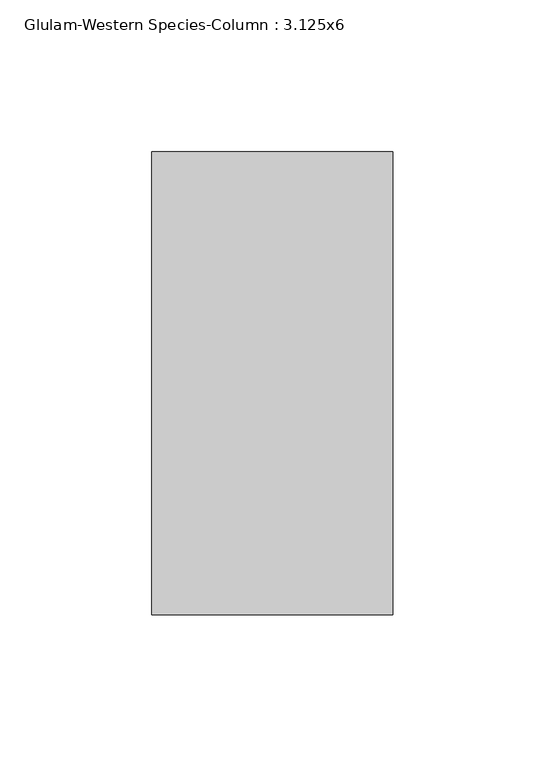
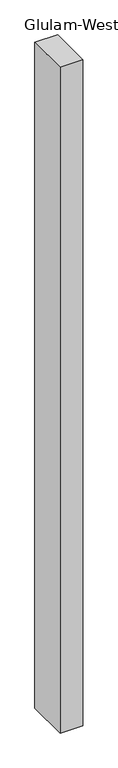
"""IFC4 building model written with IfcOpenShell, lengths in millimetres: column geometry, Glulam-Western Species-Column : 3.125x6."""

from ifc_helpers import new_model, si_unit, frame, origin, place, context, project, spatial, polyline, outline, extrude, source, transform, mapped, element, save


def glulam_western_species_column_3_125x6_147a440b(model_context):
    return source(origin(), model_context, "Body", "SweptSolid", [
        extrude(outline(polyline([(39.6875, -76.2), (-39.6875, -76.2), (-39.6875, 76.2), (39.6875, 76.2), (39.6875, -76.2)])), frame((0.0, 0.0, -2825.75), z_axis=(0.0, 0.0, 1.0), x_axis=(1.0, 0.0, 0.0)), (0.0, 0.0, 1.0), 2466.975),
    ])


if __name__ == "__main__":
    model = new_model("IFC4")
    model_context = context("Model", 3, world=origin())
    ifc_project = project(units=[si_unit("LENGTHUNIT", "METRE", prefix="MILLI")], contexts=[model_context])
    site = spatial("IfcSite", under=ifc_project)
    building = spatial("IfcBuilding", under=site)
    placement = place(None, origin())
    glulam_western_species_column_3_125x6_shape = glulam_western_species_column_3_125x6_147a440b(model_context)
    element("IfcColumn", 1, ObjectType="Glulam-Western Species-Column : 3.125x6", at=placement, inside=building, context=model_context, shape_type="MappedRepresentation", body=[
        mapped(glulam_western_species_column_3_125x6_shape, transform((0.0, 0.0, 0.0), x_axis=(1.0, 0.0, 0.0), y_axis=(0.0, 1.0, 0.0), z_axis=(0.0, 0.0, 1.0))),
    ])
    save(model, "model.ifc")
